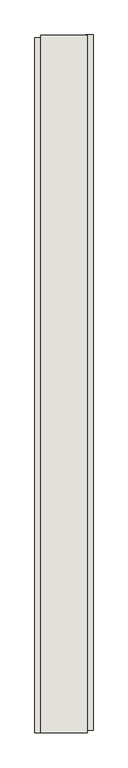
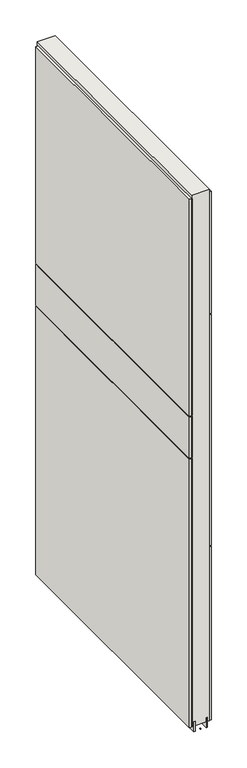
"""IFC4 building model written with IfcOpenShell, lengths in millimetres: wall geometry."""

from ifc_helpers import new_model, si_unit, frame, origin, place, context, project, spatial, polyline, outline, extrude, source, transform, mapped, element, save


def wall_e06088fa(model_context):
    return source(origin(), model_context, "Body", "SweptSolid", [
        extrude(outline(polyline([(51668.082211, -55781.7684718), (51668.082211, -55784.3084718), (51665.542211, -55784.3084718), (51665.542211, -55781.7684718), (51668.082211, -55781.7684718)])), frame((0.0, 0.0, 4419.6), z_axis=(0.0, 0.0, 1.0), x_axis=(1.0, 0.0, 0.0)), (0.0, 0.0, 1.0), 2.54),
        extrude(outline(polyline([(51616.012211, -55784.77159), (51616.012211, -54569.571582), (51628.712211, -54569.571582), (51628.712211, -55784.77159), (51616.012211, -55784.77159)])), frame((0.0, 0.0, 5945.6000722), z_axis=(0.0, 0.0, 1.0), x_axis=(1.0, 0.0, 0.0)), (0.0, 0.0, 1.0), 1044.449905),
        extrude(outline(polyline([(51616.012211, -55784.77159), (51616.012211, -54569.571582), (51628.712211, -54569.571582), (51628.712211, -55784.77159), (51616.012211, -55784.77159)])), frame((0.0, 0.0, 5742.3999706), z_axis=(0.0, 0.0, 1.0), x_axis=(1.0, 0.0, 0.0)), (0.0, 0.0, 1.0), 199.2000512),
        extrude(outline(polyline([(51616.012211, -55784.77159), (51616.012211, -54569.571582), (51628.712211, -54569.571582), (51628.712211, -55784.77159), (51616.012211, -55784.77159)])), frame((0.0, 0.0, 4445.0), z_axis=(0.0, 0.0, 1.0), x_axis=(1.0, 0.0, 0.0)), (0.0, 0.0, 1.0), 1293.400004),
        extrude(outline(polyline([(51717.612211, -54564.6478428), (51717.612211, -55779.8478508), (51704.912211, -55779.8478508), (51704.912211, -54564.6478428), (51717.612211, -54564.6478428)])), frame((0.0, 0.0, 6402.8000722), z_axis=(0.0, 0.0, 1.0), x_axis=(1.0, 0.0, 0.0)), (0.0, 0.0, 1.0), 587.2498034),
        extrude(outline(polyline([(51717.612211, -54564.6478428), (51717.612211, -55779.8478508), (51704.912211, -55779.8478508), (51704.912211, -54564.6478428), (51717.612211, -54564.6478428)])), frame((0.0, 0.0, 5285.2000722), z_axis=(0.0, 0.0, 1.0), x_axis=(1.0, 0.0, 0.0)), (0.0, 0.0, 1.0), 1113.5999572),
        extrude(outline(polyline([(51717.612211, -54564.6478428), (51717.612211, -55779.8478508), (51704.912211, -55779.8478508), (51704.912211, -54564.6478428), (51717.612211, -54564.6478428)])), frame((0.0, 0.0, 4445.0), z_axis=(0.0, 0.0, 1.0), x_axis=(1.0, 0.0, 0.0)), (0.0, 0.0, 1.0), 836.200004),
        extrude(outline(polyline([(51641.7315652, -54565.115914), (51641.7315652, -55784.315914), (51636.649711, -55784.315914), (51636.649711, -54565.115914), (51641.7315652, -54565.115914)])), frame((0.0, 0.0, 4418.6602), z_axis=(0.0, 0.0, 1.0), x_axis=(1.0, 0.0, 0.0)), (0.0, 0.0, 1.0), 47.625),
        extrude(outline(polyline([(51641.7315652, -54565.115914), (51641.7315652, -55784.315914), (51636.649711, -55784.315914), (51636.649711, -54565.115914), (51641.7315652, -54565.115914)])), frame((0.0, 0.0, 4418.6602), z_axis=(0.0, 0.0, 1.0), x_axis=(1.0, 0.0, 0.0)), (0.0, 0.0, 1.0), 47.625),
        extrude(outline(polyline([(51691.8959556, -55784.315914), (51691.8959556, -54565.115914), (51696.974711, -54565.115914), (51696.974711, -55784.315914), (51691.8959556, -55784.315914)])), frame((0.0, 0.0, 4418.6602), z_axis=(0.0, 0.0, 1.0), x_axis=(1.0, 0.0, 0.0)), (0.0, 0.0, 1.0), 47.625),
        extrude(outline(polyline([(51691.8959556, -55784.315914), (51691.8959556, -54565.115914), (51696.974711, -54565.115914), (51696.974711, -55784.315914), (51691.8959556, -55784.315914)])), frame((0.0, 0.0, 4418.6602), z_axis=(0.0, 0.0, 1.0), x_axis=(1.0, 0.0, 0.0)), (0.0, 0.0, 1.0), 47.625),
        extrude(outline(polyline([(51626.1604254, -54565.115914), (51707.4391808, -54565.115914), (51707.4391808, -55784.315914), (51626.1604254, -55784.315914), (51626.1604254, -54565.115914)])), frame((0.0, 0.0, 4445.0), z_axis=(0.0, 0.0, 1.0), x_axis=(1.0, 0.0, 0.0)), (0.0, 0.0, 1.0), 2562.4536762),
    ])


if __name__ == "__main__":
    model = new_model("IFC4")
    model_context = context("Model", 3, world=origin())
    ifc_project = project(units=[si_unit("LENGTHUNIT", "METRE", prefix="MILLI")], contexts=[model_context])
    site = spatial("IfcSite", under=ifc_project)
    building = spatial("IfcBuilding", under=site)
    placement = place(None, origin())
    wall_shape = wall_e06088fa(model_context)
    element("IfcWall", 1, at=placement, inside=building, context=model_context, shape_type="MappedRepresentation", body=[
        mapped(wall_shape, transform((0.0, 0.0, 0.0), x_axis=(1.0, 0.0, 0.0), y_axis=(0.0, 1.0, 0.0), z_axis=(0.0, 0.0, 1.0))),
    ])
    save(model, "model.ifc")
